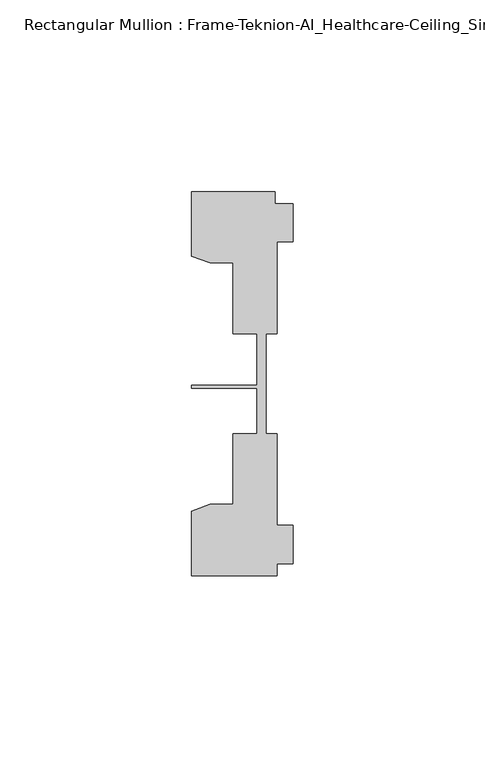
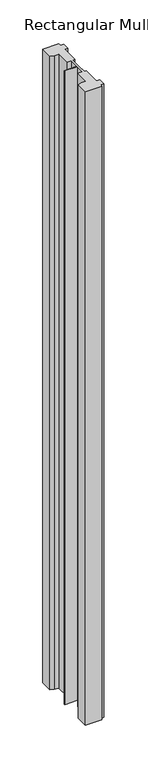
"""IFC4 building model written with IfcOpenShell, lengths in millimetres: member geometry, Rectangular Mullion : Frame-Teknion-AI_Healthcare-Ceiling_Single_Channel."""

from ifc_helpers import new_model, si_unit, frame, origin, place, context, project, spatial, polyline, outline, extrude, source, transform, mapped, element, save


def rectangular_mullion_frame_teknion_ai_healthcare_ceiling_b5239e45(model_context):
    return source(origin(), model_context, "Body", "SweptSolid", [
        extrude(outline(polyline([(-26.4921999, 34.0201677), (-26.4921999, 50.8315128), (-4.7752002, 50.8315128), (-4.7752002, 47.782071), (0.0, 47.782071), (0.0, 37.7820716), (-4.2672007, 37.7820716), (-4.2672007, 13.9110722), (-7.1647766, 13.9110722), (-7.1647766, 0.0814804), (-7.1647766, -12.2509301), (-4.2672007, -12.2509301), (-4.2672007, -36.1219249), (0.0, -36.1219249), (0.0, -46.1219322), (-4.2672007, -46.1219322), (-4.2672007, -49.1699293), (-26.4921999, -49.1699293), (-26.4921999, -32.3600207), (-21.6625199, -30.6279561), (-15.6737764, -30.6279561), (-15.6737764, -12.2509301), (-9.4507761, -12.2509301), (-9.4507761, -0.4036528), (-26.4921999, -0.4036528), (-26.4921999, 0.4036528), (-9.4507761, 0.4036528), (-9.4507761, 13.9110722), (-15.6737764, 13.9110722), (-15.6737764, 32.2880982), (-21.6625199, 32.2880982), (-26.4921999, 34.0201677)])), frame((0.0, 0.0, -904.7750229), z_axis=(0.0, 0.0, 1.0), x_axis=(1.0, 0.0, 0.0)), (0.0, 0.0, 1.0), 904.7750229),
    ])


if __name__ == "__main__":
    model = new_model("IFC4")
    model_context = context("Model", 3, world=origin())
    ifc_project = project(units=[si_unit("LENGTHUNIT", "METRE", prefix="MILLI")], contexts=[model_context])
    site = spatial("IfcSite", under=ifc_project)
    building = spatial("IfcBuilding", under=site)
    placement = place(None, origin())
    rectangular_mullion_frame_teknion_ai_healthcare_ceiling_shape = rectangular_mullion_frame_teknion_ai_healthcare_ceiling_b5239e45(model_context)
    element("IfcMember", 1, ObjectType="Rectangular Mullion : Frame-Teknion-AI_Healthcare-Ceiling_Single_Channel", at=placement, inside=building, context=model_context, shape_type="MappedRepresentation", body=[
        mapped(rectangular_mullion_frame_teknion_ai_healthcare_ceiling_shape, transform((0.0, 0.0, 0.0), x_axis=(1.0, 0.0, 0.0), y_axis=(0.0, 1.0, 0.0), z_axis=(0.0, 0.0, 1.0))),
    ])
    save(model, "model.ifc")
